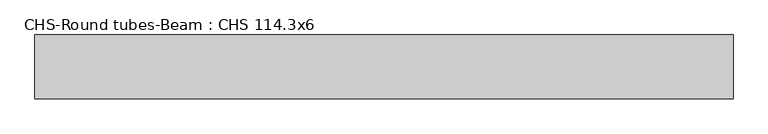
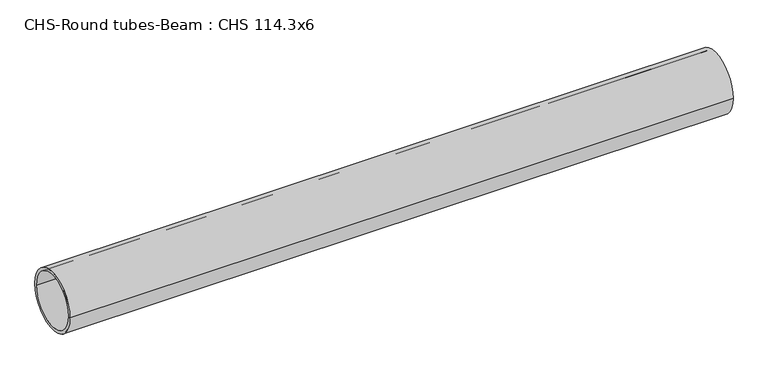
"""IFC4 building model written with IfcOpenShell, lengths in millimetres: beam geometry, CHS-Round tubes-Beam : CHS 114.3x6."""

from ifc_helpers import new_model, si_unit, point, frame, origin, origin_2d, place, context, project, spatial, circle_curve, trimmed, segment, composite_curve, outline, extrude, source, transform, mapped, element, save


def chs_round_tubes_beam_chs_114_3x6_436b8ced(model_context):
    return source(origin(), model_context, "Body", "SweptSolid", [
        extrude(outline(composite_curve([segment(trimmed(circle_curve(origin_2d(), 57.15), [point((57.15, 0.0))], [point((-57.15, 0.0))], False, "CARTESIAN"), True, "CONTINUOUS"), segment(trimmed(circle_curve(origin_2d(), 57.15), [point((-57.15, 0.0))], [point((57.15, 0.0))], False, "CARTESIAN"), True, "CONTINUOUS")], self_intersect=False), holes=[composite_curve([segment(trimmed(circle_curve(origin_2d(), 51.15), [point((51.15, 0.0))], [point((-51.15, 0.0))], True, "CARTESIAN"), True, "CONTINUOUS"), segment(trimmed(circle_curve(origin_2d(), 51.15), [point((-51.15, 0.0))], [point((51.15, 0.0))], True, "CARTESIAN"), True, "CONTINUOUS")], self_intersect=False)]), frame((-624.3499152, 0.0, 0.0), z_axis=(1.0, 0.0, 0.0), x_axis=(0.0, 1.0, 0.0)), (0.0, 0.0, 1.0), 1250.5968559),
    ])


if __name__ == "__main__":
    model = new_model("IFC4")
    model_context = context("Model", 3, world=origin())
    ifc_project = project(units=[si_unit("LENGTHUNIT", "METRE", prefix="MILLI")], contexts=[model_context])
    site = spatial("IfcSite", under=ifc_project)
    building = spatial("IfcBuilding", under=site)
    placement = place(None, origin())
    chs_round_tubes_beam_chs_114_3x6_shape = chs_round_tubes_beam_chs_114_3x6_436b8ced(model_context)
    element("IfcBeam", 1, ObjectType="CHS-Round tubes-Beam : CHS 114.3x6", at=placement, inside=building, context=model_context, shape_type="MappedRepresentation", body=[
        mapped(chs_round_tubes_beam_chs_114_3x6_shape, transform((0.0, 0.0, 0.0), x_axis=(1.0, 0.0, 0.0), y_axis=(0.0, 1.0, 0.0), z_axis=(0.0, 0.0, 1.0))),
    ])
    save(model, "model.ifc")
